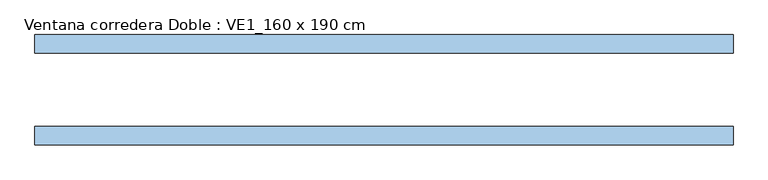
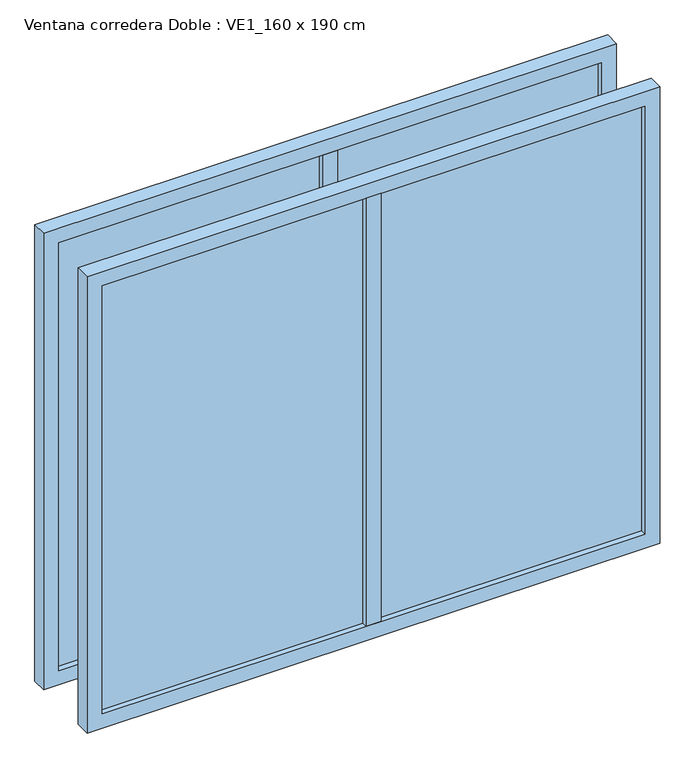
"""IFC4 building model written with IfcOpenShell, lengths in millimetres: window geometry, Ventana corredera Doble : VE1_160 x 190 cm."""

from ifc_helpers import new_model, si_unit, frame, origin, place, context, project, spatial, polyline, outline, extrude, source, transform, mapped, element, save


def ventana_corredera_doble_ve1_160_x_190_cm_47c9b656(model_context):
    return source(origin(), model_context, "Body", "SweptSolid", [
        extrude(outline(polyline([(-25.0, -150.0), (-25.0, -100.0), (25.0, -100.0), (25.0, -150.0), (-25.0, -150.0)])), frame((0.0, 0.0, 850.0), z_axis=(0.0, 0.0, 1.0), x_axis=(1.0, 0.0, 0.0)), (0.0, 0.0, 1.0), 1500.0),
        extrude(outline(polyline([(900.0, -131.5), (-900.0, -131.5), (-900.0, -118.5), (900.0, -118.5), (900.0, -131.5)])), frame((0.0, 0.0, 850.0), z_axis=(0.0, 0.0, 1.0), x_axis=(1.0, 0.0, 0.0)), (0.0, 0.0, 1.0), 1500.0),
        extrude(outline(polyline([(800.0, 950.0), (2400.0, 950.0), (2400.0, -950.0), (800.0, -950.0), (800.0, 950.0)]), holes=[polyline([(2350.0, 900.0), (850.0, 900.0), (850.0, -900.0), (2350.0, -900.0), (2350.0, 900.0)])]), frame((0.0, -150.0, 0.0), z_axis=(0.0, 1.0, 0.0), x_axis=(0.0, 0.0, 1.0)), (0.0, 0.0, 1.0), 50.0),
        extrude(outline(polyline([(-25.0, 150.0), (25.0, 150.0), (25.0, 100.0), (-25.0, 100.0), (-25.0, 150.0)])), frame((0.0, 0.0, 850.0), z_axis=(0.0, 0.0, 1.0), x_axis=(1.0, 0.0, 0.0)), (0.0, 0.0, 1.0), 1500.0),
        extrude(outline(polyline([(900.0, 131.5), (900.0, 118.5), (-900.0, 118.5), (-900.0, 131.5), (900.0, 131.5)])), frame((0.0, 0.0, 850.0), z_axis=(0.0, 0.0, 1.0), x_axis=(1.0, 0.0, 0.0)), (0.0, 0.0, 1.0), 1500.0),
        extrude(outline(polyline([(2400.0, 950.0), (2400.0, -950.0), (800.0, -950.0), (800.0, 950.0), (2400.0, 950.0)]), holes=[polyline([(850.0, 900.0), (850.0, -900.0), (2350.0, -900.0), (2350.0, 900.0), (850.0, 900.0)])]), frame((0.0, 100.0, 0.0), z_axis=(0.0, 1.0, 0.0), x_axis=(0.0, 0.0, 1.0)), (0.0, 0.0, 1.0), 50.0),
    ])


if __name__ == "__main__":
    model = new_model("IFC4")
    model_context = context("Model", 3, world=origin())
    ifc_project = project(units=[si_unit("LENGTHUNIT", "METRE", prefix="MILLI")], contexts=[model_context])
    site = spatial("IfcSite", under=ifc_project)
    building = spatial("IfcBuilding", under=site)
    placement = place(None, origin())
    ventana_corredera_doble_ve1_160_x_190_cm_shape = ventana_corredera_doble_ve1_160_x_190_cm_47c9b656(model_context)
    element("IfcWindow", 1, ObjectType="Ventana corredera Doble : VE1_160 x 190 cm", at=placement, inside=building, context=model_context, shape_type="MappedRepresentation", body=[
        mapped(ventana_corredera_doble_ve1_160_x_190_cm_shape, transform((0.0, 0.0, 0.0), x_axis=(1.0, 0.0, 0.0), y_axis=(0.0, 1.0, 0.0), z_axis=(0.0, 0.0, 1.0))),
    ])
    save(model, "model.ifc")
